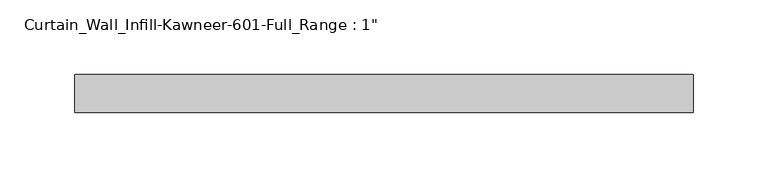
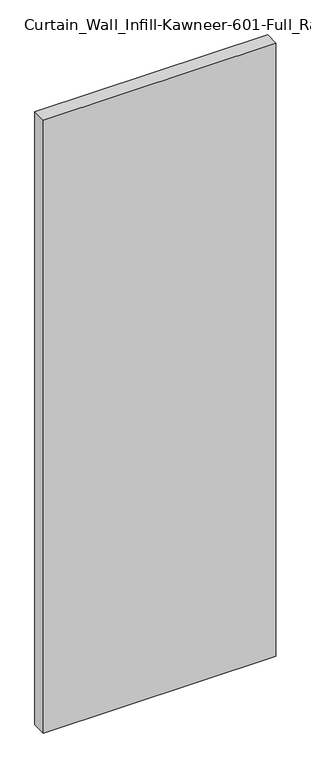
"""IFC4 building model written with IfcOpenShell, lengths in millimetres: plate geometry."""

from ifc_helpers import new_model, si_unit, origin, origin_with_axes, place, context, project, spatial, polyline, outline, extrude, source, transform, mapped, element, save


def plate_8ce606ac(model_context):
    return source(origin(), model_context, "Body", "SweptSolid", [
        extrude(outline(polyline([(-206.375, 12.7), (206.375, 12.7), (206.375, -12.7), (-206.375, -12.7), (-206.375, 12.7)])), origin_with_axes(), (0.0, 0.0, 1.0), 1149.35),
    ])


if __name__ == "__main__":
    model = new_model("IFC4")
    model_context = context("Model", 3, world=origin())
    ifc_project = project(units=[si_unit("LENGTHUNIT", "METRE", prefix="MILLI")], contexts=[model_context])
    site = spatial("IfcSite", under=ifc_project)
    building = spatial("IfcBuilding", under=site)
    placement = place(None, origin())
    plate_shape = plate_8ce606ac(model_context)
    element("IfcPlate", 1, ObjectType="Curtain_Wall_Infill-Kawneer-601-Full_Range : 1\"", at=placement, inside=building, context=model_context, shape_type="MappedRepresentation", body=[
        mapped(plate_shape, transform((0.0, 0.0, 0.0), x_axis=(1.0, 0.0, 0.0), y_axis=(0.0, 1.0, 0.0), z_axis=(0.0, 0.0, 1.0))),
    ])
    save(model, "model.ifc")
